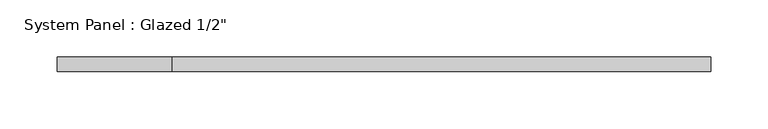
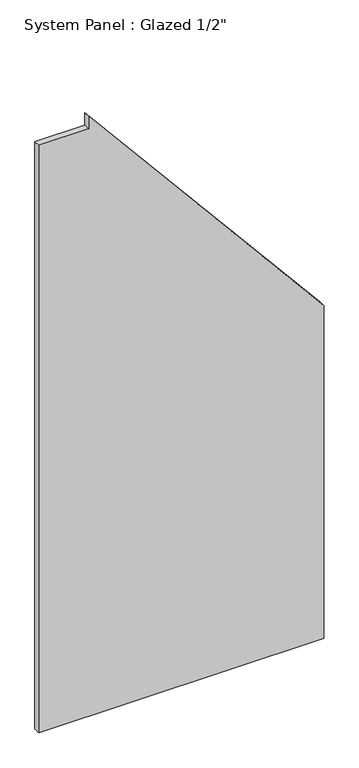
"""IFC4 building model written with IfcOpenShell, lengths in millimetres: plate geometry."""

from ifc_helpers import new_model, si_unit, frame, origin, place, context, project, spatial, polyline, outline, extrude, source, transform, mapped, element, save


def plate_c5bbb545(model_context):
    return source(origin(), model_context, "Body", "SweptSolid", [
        extrude(outline(polyline([(0.0, -284.9706866), (0.0, 284.9706866), (703.189834, 284.9706866), (1267.9393488, -184.9293134), (1241.5880352, -184.9293134), (1241.5880352, -284.9706866), (0.0, -284.9706866)])), frame((0.0, -6.35, 0.0), z_axis=(0.0, 1.0, 0.0), x_axis=(0.0, 0.0, 1.0)), (0.0, 0.0, 1.0), 12.7),
    ])


if __name__ == "__main__":
    model = new_model("IFC4")
    model_context = context("Model", 3, world=origin())
    ifc_project = project(units=[si_unit("LENGTHUNIT", "METRE", prefix="MILLI")], contexts=[model_context])
    site = spatial("IfcSite", under=ifc_project)
    building = spatial("IfcBuilding", under=site)
    placement = place(None, origin())
    plate_shape = plate_c5bbb545(model_context)
    element("IfcPlate", 1, ObjectType="System Panel : Glazed 1/2\"", at=placement, inside=building, context=model_context, shape_type="MappedRepresentation", body=[
        mapped(plate_shape, transform((0.0, 0.0, 0.0), x_axis=(1.0, 0.0, 0.0), y_axis=(0.0, 1.0, 0.0), z_axis=(0.0, 0.0, 1.0))),
    ])
    save(model, "model.ifc")
